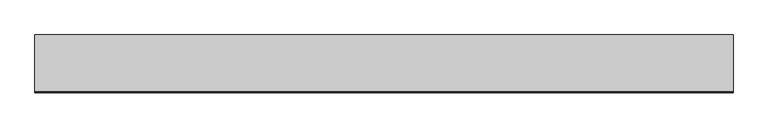
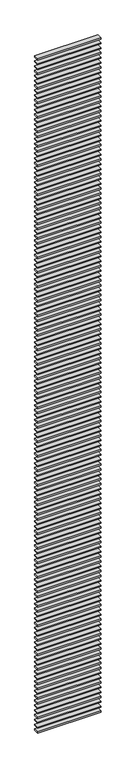
"""IFC4 building model written with IfcOpenShell, lengths in millimetres: proxy geometry."""

from ifc_helpers import new_model, si_unit, frame, origin, place, context, project, spatial, polyline, outline, extrude, source, transform, mapped, element, save


def generic_models_84017759(model_context):
    return source(origin(), model_context, "Body", "SweptSolid", [
        extrude(outline(polyline([(-100.0, -200.0), (-100.0, 0.0), (2375.0, 0.0), (2375.0, -200.0), (-100.0, -200.0)])), frame((0.0, 0.0, 27775.0), z_axis=(0.0, 0.0, 1.0), x_axis=(1.0, 0.0, 0.0)), (0.0, 0.0, 1.0), 50.0),
        extrude(outline(polyline([(-100.0, -200.0), (-100.0, 0.0), (2375.0, 0.0), (2375.0, -200.0), (-100.0, -200.0)])), frame((0.0, 0.0, 27575.0), z_axis=(0.0, 0.0, 1.0), x_axis=(1.0, 0.0, 0.0)), (0.0, 0.0, 1.0), 50.0),
        extrude(outline(polyline([(-100.0, -200.0), (-100.0, 0.0), (2375.0, 0.0), (2375.0, -200.0), (-100.0, -200.0)])), frame((0.0, 0.0, 27375.0), z_axis=(0.0, 0.0, 1.0), x_axis=(1.0, 0.0, 0.0)), (0.0, 0.0, 1.0), 50.0),
        extrude(outline(polyline([(-100.0, -200.0), (-100.0, 0.0), (2375.0, 0.0), (2375.0, -200.0), (-100.0, -200.0)])), frame((0.0, 0.0, 27175.0), z_axis=(0.0, 0.0, 1.0), x_axis=(1.0, 0.0, 0.0)), (0.0, 0.0, 1.0), 50.0),
        extrude(outline(polyline([(-100.0, -200.0), (-100.0, 0.0), (2375.0, 0.0), (2375.0, -200.0), (-100.0, -200.0)])), frame((0.0, 0.0, 26975.0), z_axis=(0.0, 0.0, 1.0), x_axis=(1.0, 0.0, 0.0)), (0.0, 0.0, 1.0), 50.0),
        extrude(outline(polyline([(-100.0, -200.0), (-100.0, 0.0), (2375.0, 0.0), (2375.0, -200.0), (-100.0, -200.0)])), frame((0.0, 0.0, 26775.0), z_axis=(0.0, 0.0, 1.0), x_axis=(1.0, 0.0, 0.0)), (0.0, 0.0, 1.0), 50.0),
        extrude(outline(polyline([(-100.0, -200.0), (-100.0, 0.0), (2375.0, 0.0), (2375.0, -200.0), (-100.0, -200.0)])), frame((0.0, 0.0, 26575.0), z_axis=(0.0, 0.0, 1.0), x_axis=(1.0, 0.0, 0.0)), (0.0, 0.0, 1.0), 50.0),
        extrude(outline(polyline([(-100.0, -200.0), (-100.0, 0.0), (2375.0, 0.0), (2375.0, -200.0), (-100.0, -200.0)])), frame((0.0, 0.0, 26375.0), z_axis=(0.0, 0.0, 1.0), x_axis=(1.0, 0.0, 0.0)), (0.0, 0.0, 1.0), 50.0),
        extrude(outline(polyline([(-100.0, -200.0), (-100.0, 0.0), (2375.0, 0.0), (2375.0, -200.0), (-100.0, -200.0)])), frame((0.0, 0.0, 26175.0), z_axis=(0.0, 0.0, 1.0), x_axis=(1.0, 0.0, 0.0)), (0.0, 0.0, 1.0), 50.0),
        extrude(outline(polyline([(-100.0, -200.0), (-100.0, 0.0), (2375.0, 0.0), (2375.0, -200.0), (-100.0, -200.0)])), frame((0.0, 0.0, 25975.0), z_axis=(0.0, 0.0, 1.0), x_axis=(1.0, 0.0, 0.0)), (0.0, 0.0, 1.0), 50.0),
        extrude(outline(polyline([(-100.0, -200.0), (-100.0, 0.0), (2375.0, 0.0), (2375.0, -200.0), (-100.0, -200.0)])), frame((0.0, 0.0, 25775.0), z_axis=(0.0, 0.0, 1.0), x_axis=(1.0, 0.0, 0.0)), (0.0, 0.0, 1.0), 50.0),
        extrude(outline(polyline([(-100.0, -200.0), (-100.0, 0.0), (2375.0, 0.0), (2375.0, -200.0), (-100.0, -200.0)])), frame((0.0, 0.0, 25575.0), z_axis=(0.0, 0.0, 1.0), x_axis=(1.0, 0.0, 0.0)), (0.0, 0.0, 1.0), 50.0),
        extrude(outline(polyline([(-100.0, -200.0), (-100.0, 0.0), (2375.0, 0.0), (2375.0, -200.0), (-100.0, -200.0)])), frame((0.0, 0.0, 25375.0), z_axis=(0.0, 0.0, 1.0), x_axis=(1.0, 0.0, 0.0)), (0.0, 0.0, 1.0), 50.0),
        extrude(outline(polyline([(-100.0, -200.0), (-100.0, 0.0), (2375.0, 0.0), (2375.0, -200.0), (-100.0, -200.0)])), frame((0.0, 0.0, 25175.0), z_axis=(0.0, 0.0, 1.0), x_axis=(1.0, 0.0, 0.0)), (0.0, 0.0, 1.0), 50.0),
        extrude(outline(polyline([(-100.0, -200.0), (-100.0, 0.0), (2375.0, 0.0), (2375.0, -200.0), (-100.0, -200.0)])), frame((0.0, 0.0, 24975.0), z_axis=(0.0, 0.0, 1.0), x_axis=(1.0, 0.0, 0.0)), (0.0, 0.0, 1.0), 50.0),
        extrude(outline(polyline([(-100.0, -200.0), (-100.0, 0.0), (2375.0, 0.0), (2375.0, -200.0), (-100.0, -200.0)])), frame((0.0, 0.0, 24775.0), z_axis=(0.0, 0.0, 1.0), x_axis=(1.0, 0.0, 0.0)), (0.0, 0.0, 1.0), 50.0),
        extrude(outline(polyline([(-100.0, -200.0), (-100.0, 0.0), (2375.0, 0.0), (2375.0, -200.0), (-100.0, -200.0)])), frame((0.0, 0.0, 24575.0), z_axis=(0.0, 0.0, 1.0), x_axis=(1.0, 0.0, 0.0)), (0.0, 0.0, 1.0), 50.0),
        extrude(outline(polyline([(-100.0, -200.0), (-100.0, 0.0), (2375.0, 0.0), (2375.0, -200.0), (-100.0, -200.0)])), frame((0.0, 0.0, 24375.0), z_axis=(0.0, 0.0, 1.0), x_axis=(1.0, 0.0, 0.0)), (0.0, 0.0, 1.0), 50.0),
        extrude(outline(polyline([(-100.0, -200.0), (-100.0, 0.0), (2375.0, 0.0), (2375.0, -200.0), (-100.0, -200.0)])), frame((0.0, 0.0, 24175.0), z_axis=(0.0, 0.0, 1.0), x_axis=(1.0, 0.0, 0.0)), (0.0, 0.0, 1.0), 50.0),
        extrude(outline(polyline([(-100.0, -200.0), (-100.0, 0.0), (2375.0, 0.0), (2375.0, -200.0), (-100.0, -200.0)])), frame((0.0, 0.0, 23975.0), z_axis=(0.0, 0.0, 1.0), x_axis=(1.0, 0.0, 0.0)), (0.0, 0.0, 1.0), 50.0),
        extrude(outline(polyline([(-100.0, -200.0), (-100.0, 0.0), (2375.0, 0.0), (2375.0, -200.0), (-100.0, -200.0)])), frame((0.0, 0.0, 23775.0), z_axis=(0.0, 0.0, 1.0), x_axis=(1.0, 0.0, 0.0)), (0.0, 0.0, 1.0), 50.0),
        extrude(outline(polyline([(-100.0, -200.0), (-100.0, 0.0), (2375.0, 0.0), (2375.0, -200.0), (-100.0, -200.0)])), frame((0.0, 0.0, 23575.0), z_axis=(0.0, 0.0, 1.0), x_axis=(1.0, 0.0, 0.0)), (0.0, 0.0, 1.0), 50.0),
        extrude(outline(polyline([(-100.0, -200.0), (-100.0, 0.0), (2375.0, 0.0), (2375.0, -200.0), (-100.0, -200.0)])), frame((0.0, 0.0, 23375.0), z_axis=(0.0, 0.0, 1.0), x_axis=(1.0, 0.0, 0.0)), (0.0, 0.0, 1.0), 50.0),
        extrude(outline(polyline([(-100.0, -200.0), (-100.0, 0.0), (2375.0, 0.0), (2375.0, -200.0), (-100.0, -200.0)])), frame((0.0, 0.0, 23175.0), z_axis=(0.0, 0.0, 1.0), x_axis=(1.0, 0.0, 0.0)), (0.0, 0.0, 1.0), 50.0),
        extrude(outline(polyline([(-100.0, -200.0), (-100.0, 0.0), (2375.0, 0.0), (2375.0, -200.0), (-100.0, -200.0)])), frame((0.0, 0.0, 22975.0), z_axis=(0.0, 0.0, 1.0), x_axis=(1.0, 0.0, 0.0)), (0.0, 0.0, 1.0), 50.0),
        extrude(outline(polyline([(-100.0, -200.0), (-100.0, 0.0), (2375.0, 0.0), (2375.0, -200.0), (-100.0, -200.0)])), frame((0.0, 0.0, 22775.0), z_axis=(0.0, 0.0, 1.0), x_axis=(1.0, 0.0, 0.0)), (0.0, 0.0, 1.0), 50.0),
        extrude(outline(polyline([(-100.0, -200.0), (-100.0, 0.0), (2375.0, 0.0), (2375.0, -200.0), (-100.0, -200.0)])), frame((0.0, 0.0, 22575.0), z_axis=(0.0, 0.0, 1.0), x_axis=(1.0, 0.0, 0.0)), (0.0, 0.0, 1.0), 50.0),
        extrude(outline(polyline([(-100.0, -200.0), (-100.0, 0.0), (2375.0, 0.0), (2375.0, -200.0), (-100.0, -200.0)])), frame((0.0, 0.0, 22375.0), z_axis=(0.0, 0.0, 1.0), x_axis=(1.0, 0.0, 0.0)), (0.0, 0.0, 1.0), 50.0),
        extrude(outline(polyline([(-100.0, -200.0), (-100.0, 0.0), (2375.0, 0.0), (2375.0, -200.0), (-100.0, -200.0)])), frame((0.0, 0.0, 22175.0), z_axis=(0.0, 0.0, 1.0), x_axis=(1.0, 0.0, 0.0)), (0.0, 0.0, 1.0), 50.0),
        extrude(outline(polyline([(-100.0, -200.0), (-100.0, 0.0), (2375.0, 0.0), (2375.0, -200.0), (-100.0, -200.0)])), frame((0.0, 0.0, 21975.0), z_axis=(0.0, 0.0, 1.0), x_axis=(1.0, 0.0, 0.0)), (0.0, 0.0, 1.0), 50.0),
        extrude(outline(polyline([(-100.0, -200.0), (-100.0, 0.0), (2375.0, 0.0), (2375.0, -200.0), (-100.0, -200.0)])), frame((0.0, 0.0, 21775.0), z_axis=(0.0, 0.0, 1.0), x_axis=(1.0, 0.0, 0.0)), (0.0, 0.0, 1.0), 50.0),
        extrude(outline(polyline([(-100.0, -200.0), (-100.0, 0.0), (2375.0, 0.0), (2375.0, -200.0), (-100.0, -200.0)])), frame((0.0, 0.0, 21575.0), z_axis=(0.0, 0.0, 1.0), x_axis=(1.0, 0.0, 0.0)), (0.0, 0.0, 1.0), 50.0),
        extrude(outline(polyline([(-100.0, -200.0), (-100.0, 0.0), (2375.0, 0.0), (2375.0, -200.0), (-100.0, -200.0)])), frame((0.0, 0.0, 21375.0), z_axis=(0.0, 0.0, 1.0), x_axis=(1.0, 0.0, 0.0)), (0.0, 0.0, 1.0), 50.0),
        extrude(outline(polyline([(-100.0, -200.0), (-100.0, 0.0), (2375.0, 0.0), (2375.0, -200.0), (-100.0, -200.0)])), frame((0.0, 0.0, 21175.0), z_axis=(0.0, 0.0, 1.0), x_axis=(1.0, 0.0, 0.0)), (0.0, 0.0, 1.0), 50.0),
        extrude(outline(polyline([(-100.0, -200.0), (-100.0, 0.0), (2375.0, 0.0), (2375.0, -200.0), (-100.0, -200.0)])), frame((0.0, 0.0, 20975.0), z_axis=(0.0, 0.0, 1.0), x_axis=(1.0, 0.0, 0.0)), (0.0, 0.0, 1.0), 50.0),
        extrude(outline(polyline([(-100.0, -200.0), (-100.0, 0.0), (2375.0, 0.0), (2375.0, -200.0), (-100.0, -200.0)])), frame((0.0, 0.0, 20775.0), z_axis=(0.0, 0.0, 1.0), x_axis=(1.0, 0.0, 0.0)), (0.0, 0.0, 1.0), 50.0),
        extrude(outline(polyline([(-100.0, -200.0), (-100.0, 0.0), (2375.0, 0.0), (2375.0, -200.0), (-100.0, -200.0)])), frame((0.0, 0.0, 20575.0), z_axis=(0.0, 0.0, 1.0), x_axis=(1.0, 0.0, 0.0)), (0.0, 0.0, 1.0), 50.0),
        extrude(outline(polyline([(-100.0, -200.0), (-100.0, 0.0), (2375.0, 0.0), (2375.0, -200.0), (-100.0, -200.0)])), frame((0.0, 0.0, 20375.0), z_axis=(0.0, 0.0, 1.0), x_axis=(1.0, 0.0, 0.0)), (0.0, 0.0, 1.0), 50.0),
        extrude(outline(polyline([(-100.0, -200.0), (-100.0, 0.0), (2375.0, 0.0), (2375.0, -200.0), (-100.0, -200.0)])), frame((0.0, 0.0, 20175.0), z_axis=(0.0, 0.0, 1.0), x_axis=(1.0, 0.0, 0.0)), (0.0, 0.0, 1.0), 50.0),
        extrude(outline(polyline([(-100.0, -200.0), (-100.0, 0.0), (2375.0, 0.0), (2375.0, -200.0), (-100.0, -200.0)])), frame((0.0, 0.0, 19975.0), z_axis=(0.0, 0.0, 1.0), x_axis=(1.0, 0.0, 0.0)), (0.0, 0.0, 1.0), 50.0),
        extrude(outline(polyline([(-100.0, -200.0), (-100.0, 0.0), (2375.0, 0.0), (2375.0, -200.0), (-100.0, -200.0)])), frame((0.0, 0.0, 19775.0), z_axis=(0.0, 0.0, 1.0), x_axis=(1.0, 0.0, 0.0)), (0.0, 0.0, 1.0), 50.0),
        extrude(outline(polyline([(-100.0, -200.0), (-100.0, 0.0), (2375.0, 0.0), (2375.0, -200.0), (-100.0, -200.0)])), frame((0.0, 0.0, 19575.0), z_axis=(0.0, 0.0, 1.0), x_axis=(1.0, 0.0, 0.0)), (0.0, 0.0, 1.0), 50.0),
        extrude(outline(polyline([(-100.0, -200.0), (-100.0, 0.0), (2375.0, 0.0), (2375.0, -200.0), (-100.0, -200.0)])), frame((0.0, 0.0, 19375.0), z_axis=(0.0, 0.0, 1.0), x_axis=(1.0, 0.0, 0.0)), (0.0, 0.0, 1.0), 50.0),
        extrude(outline(polyline([(-100.0, -200.0), (-100.0, 0.0), (2375.0, 0.0), (2375.0, -200.0), (-100.0, -200.0)])), frame((0.0, 0.0, 19175.0), z_axis=(0.0, 0.0, 1.0), x_axis=(1.0, 0.0, 0.0)), (0.0, 0.0, 1.0), 50.0),
        extrude(outline(polyline([(-100.0, -200.0), (-100.0, 0.0), (2375.0, 0.0), (2375.0, -200.0), (-100.0, -200.0)])), frame((0.0, 0.0, 18975.0), z_axis=(0.0, 0.0, 1.0), x_axis=(1.0, 0.0, 0.0)), (0.0, 0.0, 1.0), 50.0),
        extrude(outline(polyline([(-100.0, -200.0), (-100.0, 0.0), (2375.0, 0.0), (2375.0, -200.0), (-100.0, -200.0)])), frame((0.0, 0.0, 18775.0), z_axis=(0.0, 0.0, 1.0), x_axis=(1.0, 0.0, 0.0)), (0.0, 0.0, 1.0), 50.0),
        extrude(outline(polyline([(-100.0, -200.0), (-100.0, 0.0), (2375.0, 0.0), (2375.0, -200.0), (-100.0, -200.0)])), frame((0.0, 0.0, 18575.0), z_axis=(0.0, 0.0, 1.0), x_axis=(1.0, 0.0, 0.0)), (0.0, 0.0, 1.0), 50.0),
        extrude(outline(polyline([(-100.0, -200.0), (-100.0, 0.0), (2375.0, 0.0), (2375.0, -200.0), (-100.0, -200.0)])), frame((0.0, 0.0, 18375.0), z_axis=(0.0, 0.0, 1.0), x_axis=(1.0, 0.0, 0.0)), (0.0, 0.0, 1.0), 50.0),
        extrude(outline(polyline([(-100.0, -200.0), (-100.0, 0.0), (2375.0, 0.0), (2375.0, -200.0), (-100.0, -200.0)])), frame((0.0, 0.0, 18175.0), z_axis=(0.0, 0.0, 1.0), x_axis=(1.0, 0.0, 0.0)), (0.0, 0.0, 1.0), 50.0),
        extrude(outline(polyline([(-100.0, -200.0), (-100.0, 0.0), (2375.0, 0.0), (2375.0, -200.0), (-100.0, -200.0)])), frame((0.0, 0.0, 17975.0), z_axis=(0.0, 0.0, 1.0), x_axis=(1.0, 0.0, 0.0)), (0.0, 0.0, 1.0), 50.0),
        extrude(outline(polyline([(-100.0, -200.0), (-100.0, 0.0), (2375.0, 0.0), (2375.0, -200.0), (-100.0, -200.0)])), frame((0.0, 0.0, 17775.0), z_axis=(0.0, 0.0, 1.0), x_axis=(1.0, 0.0, 0.0)), (0.0, 0.0, 1.0), 50.0),
        extrude(outline(polyline([(-100.0, -200.0), (-100.0, 0.0), (2375.0, 0.0), (2375.0, -200.0), (-100.0, -200.0)])), frame((0.0, 0.0, 17575.0), z_axis=(0.0, 0.0, 1.0), x_axis=(1.0, 0.0, 0.0)), (0.0, 0.0, 1.0), 50.0),
        extrude(outline(polyline([(-100.0, -200.0), (-100.0, 0.0), (2375.0, 0.0), (2375.0, -200.0), (-100.0, -200.0)])), frame((0.0, 0.0, 17375.0), z_axis=(0.0, 0.0, 1.0), x_axis=(1.0, 0.0, 0.0)), (0.0, 0.0, 1.0), 50.0),
        extrude(outline(polyline([(-100.0, -200.0), (-100.0, 0.0), (2375.0, 0.0), (2375.0, -200.0), (-100.0, -200.0)])), frame((0.0, 0.0, 17175.0), z_axis=(0.0, 0.0, 1.0), x_axis=(1.0, 0.0, 0.0)), (0.0, 0.0, 1.0), 50.0),
        extrude(outline(polyline([(-100.0, -200.0), (-100.0, 0.0), (2375.0, 0.0), (2375.0, -200.0), (-100.0, -200.0)])), frame((0.0, 0.0, 16975.0), z_axis=(0.0, 0.0, 1.0), x_axis=(1.0, 0.0, 0.0)), (0.0, 0.0, 1.0), 50.0),
        extrude(outline(polyline([(-100.0, -200.0), (-100.0, 0.0), (2375.0, 0.0), (2375.0, -200.0), (-100.0, -200.0)])), frame((0.0, 0.0, 16775.0), z_axis=(0.0, 0.0, 1.0), x_axis=(1.0, 0.0, 0.0)), (0.0, 0.0, 1.0), 50.0),
        extrude(outline(polyline([(-100.0, -200.0), (-100.0, 0.0), (2375.0, 0.0), (2375.0, -200.0), (-100.0, -200.0)])), frame((0.0, 0.0, 16575.0), z_axis=(0.0, 0.0, 1.0), x_axis=(1.0, 0.0, 0.0)), (0.0, 0.0, 1.0), 50.0),
        extrude(outline(polyline([(-100.0, -200.0), (-100.0, 0.0), (2375.0, 0.0), (2375.0, -200.0), (-100.0, -200.0)])), frame((0.0, 0.0, 16375.0), z_axis=(0.0, 0.0, 1.0), x_axis=(1.0, 0.0, 0.0)), (0.0, 0.0, 1.0), 50.0),
        extrude(outline(polyline([(-100.0, -200.0), (-100.0, 0.0), (2375.0, 0.0), (2375.0, -200.0), (-100.0, -200.0)])), frame((0.0, 0.0, 16175.0), z_axis=(0.0, 0.0, 1.0), x_axis=(1.0, 0.0, 0.0)), (0.0, 0.0, 1.0), 50.0),
        extrude(outline(polyline([(-100.0, -200.0), (-100.0, 0.0), (2375.0, 0.0), (2375.0, -200.0), (-100.0, -200.0)])), frame((0.0, 0.0, 15975.0), z_axis=(0.0, 0.0, 1.0), x_axis=(1.0, 0.0, 0.0)), (0.0, 0.0, 1.0), 50.0),
        extrude(outline(polyline([(-100.0, -200.0), (-100.0, 0.0), (2375.0, 0.0), (2375.0, -200.0), (-100.0, -200.0)])), frame((0.0, 0.0, 15775.0), z_axis=(0.0, 0.0, 1.0), x_axis=(1.0, 0.0, 0.0)), (0.0, 0.0, 1.0), 50.0),
        extrude(outline(polyline([(-100.0, -200.0), (-100.0, 0.0), (2375.0, 0.0), (2375.0, -200.0), (-100.0, -200.0)])), frame((0.0, 0.0, 15575.0), z_axis=(0.0, 0.0, 1.0), x_axis=(1.0, 0.0, 0.0)), (0.0, 0.0, 1.0), 50.0),
        extrude(outline(polyline([(-100.0, -200.0), (-100.0, 0.0), (2375.0, 0.0), (2375.0, -200.0), (-100.0, -200.0)])), frame((0.0, 0.0, 15375.0), z_axis=(0.0, 0.0, 1.0), x_axis=(1.0, 0.0, 0.0)), (0.0, 0.0, 1.0), 50.0),
        extrude(outline(polyline([(-100.0, -200.0), (-100.0, 0.0), (2375.0, 0.0), (2375.0, -200.0), (-100.0, -200.0)])), frame((0.0, 0.0, 15175.0), z_axis=(0.0, 0.0, 1.0), x_axis=(1.0, 0.0, 0.0)), (0.0, 0.0, 1.0), 50.0),
        extrude(outline(polyline([(-100.0, -200.0), (-100.0, 0.0), (2375.0, 0.0), (2375.0, -200.0), (-100.0, -200.0)])), frame((0.0, 0.0, 14975.0), z_axis=(0.0, 0.0, 1.0), x_axis=(1.0, 0.0, 0.0)), (0.0, 0.0, 1.0), 50.0),
        extrude(outline(polyline([(-100.0, -200.0), (-100.0, 0.0), (2375.0, 0.0), (2375.0, -200.0), (-100.0, -200.0)])), frame((0.0, 0.0, 14775.0), z_axis=(0.0, 0.0, 1.0), x_axis=(1.0, 0.0, 0.0)), (0.0, 0.0, 1.0), 50.0),
        extrude(outline(polyline([(-100.0, -200.0), (-100.0, 0.0), (2375.0, 0.0), (2375.0, -200.0), (-100.0, -200.0)])), frame((0.0, 0.0, 14575.0), z_axis=(0.0, 0.0, 1.0), x_axis=(1.0, 0.0, 0.0)), (0.0, 0.0, 1.0), 50.0),
        extrude(outline(polyline([(-100.0, -200.0), (-100.0, 0.0), (2375.0, 0.0), (2375.0, -200.0), (-100.0, -200.0)])), frame((0.0, 0.0, 14375.0), z_axis=(0.0, 0.0, 1.0), x_axis=(1.0, 0.0, 0.0)), (0.0, 0.0, 1.0), 50.0),
        extrude(outline(polyline([(-100.0, -200.0), (-100.0, 0.0), (2375.0, 0.0), (2375.0, -200.0), (-100.0, -200.0)])), frame((0.0, 0.0, 14175.0), z_axis=(0.0, 0.0, 1.0), x_axis=(1.0, 0.0, 0.0)), (0.0, 0.0, 1.0), 50.0),
        extrude(outline(polyline([(-100.0, -200.0), (-100.0, 0.0), (2375.0, 0.0), (2375.0, -200.0), (-100.0, -200.0)])), frame((0.0, 0.0, 13975.0), z_axis=(0.0, 0.0, 1.0), x_axis=(1.0, 0.0, 0.0)), (0.0, 0.0, 1.0), 50.0),
        extrude(outline(polyline([(-100.0, -200.0), (-100.0, 0.0), (2375.0, 0.0), (2375.0, -200.0), (-100.0, -200.0)])), frame((0.0, 0.0, 13775.0), z_axis=(0.0, 0.0, 1.0), x_axis=(1.0, 0.0, 0.0)), (0.0, 0.0, 1.0), 50.0),
        extrude(outline(polyline([(-100.0, -200.0), (-100.0, 0.0), (2375.0, 0.0), (2375.0, -200.0), (-100.0, -200.0)])), frame((0.0, 0.0, 13575.0), z_axis=(0.0, 0.0, 1.0), x_axis=(1.0, 0.0, 0.0)), (0.0, 0.0, 1.0), 50.0),
        extrude(outline(polyline([(-100.0, -200.0), (-100.0, 0.0), (2375.0, 0.0), (2375.0, -200.0), (-100.0, -200.0)])), frame((0.0, 0.0, 13375.0), z_axis=(0.0, 0.0, 1.0), x_axis=(1.0, 0.0, 0.0)), (0.0, 0.0, 1.0), 50.0),
        extrude(outline(polyline([(-100.0, -200.0), (-100.0, 0.0), (2375.0, 0.0), (2375.0, -200.0), (-100.0, -200.0)])), frame((0.0, 0.0, 13175.0), z_axis=(0.0, 0.0, 1.0), x_axis=(1.0, 0.0, 0.0)), (0.0, 0.0, 1.0), 50.0),
        extrude(outline(polyline([(-100.0, -200.0), (-100.0, 0.0), (2375.0, 0.0), (2375.0, -200.0), (-100.0, -200.0)])), frame((0.0, 0.0, 12975.0), z_axis=(0.0, 0.0, 1.0), x_axis=(1.0, 0.0, 0.0)), (0.0, 0.0, 1.0), 50.0),
        extrude(outline(polyline([(-100.0, -200.0), (-100.0, 0.0), (2375.0, 0.0), (2375.0, -200.0), (-100.0, -200.0)])), frame((0.0, 0.0, 12775.0), z_axis=(0.0, 0.0, 1.0), x_axis=(1.0, 0.0, 0.0)), (0.0, 0.0, 1.0), 50.0),
        extrude(outline(polyline([(-100.0, -200.0), (-100.0, 0.0), (2375.0, 0.0), (2375.0, -200.0), (-100.0, -200.0)])), frame((0.0, 0.0, 12575.0), z_axis=(0.0, 0.0, 1.0), x_axis=(1.0, 0.0, 0.0)), (0.0, 0.0, 1.0), 50.0),
        extrude(outline(polyline([(-100.0, -200.0), (-100.0, 0.0), (2375.0, 0.0), (2375.0, -200.0), (-100.0, -200.0)])), frame((0.0, 0.0, 12375.0), z_axis=(0.0, 0.0, 1.0), x_axis=(1.0, 0.0, 0.0)), (0.0, 0.0, 1.0), 50.0),
        extrude(outline(polyline([(-100.0, -200.0), (-100.0, 0.0), (2375.0, 0.0), (2375.0, -200.0), (-100.0, -200.0)])), frame((0.0, 0.0, 12175.0), z_axis=(0.0, 0.0, 1.0), x_axis=(1.0, 0.0, 0.0)), (0.0, 0.0, 1.0), 50.0),
        extrude(outline(polyline([(-100.0, -200.0), (-100.0, 0.0), (2375.0, 0.0), (2375.0, -200.0), (-100.0, -200.0)])), frame((0.0, 0.0, 11975.0), z_axis=(0.0, 0.0, 1.0), x_axis=(1.0, 0.0, 0.0)), (0.0, 0.0, 1.0), 50.0),
        extrude(outline(polyline([(-100.0, -200.0), (-100.0, 0.0), (2375.0, 0.0), (2375.0, -200.0), (-100.0, -200.0)])), frame((0.0, 0.0, 11775.0), z_axis=(0.0, 0.0, 1.0), x_axis=(1.0, 0.0, 0.0)), (0.0, 0.0, 1.0), 50.0),
        extrude(outline(polyline([(-100.0, -200.0), (-100.0, 0.0), (2375.0, 0.0), (2375.0, -200.0), (-100.0, -200.0)])), frame((0.0, 0.0, 11575.0), z_axis=(0.0, 0.0, 1.0), x_axis=(1.0, 0.0, 0.0)), (0.0, 0.0, 1.0), 50.0),
        extrude(outline(polyline([(-100.0, -200.0), (-100.0, 0.0), (2375.0, 0.0), (2375.0, -200.0), (-100.0, -200.0)])), frame((0.0, 0.0, 11375.0), z_axis=(0.0, 0.0, 1.0), x_axis=(1.0, 0.0, 0.0)), (0.0, 0.0, 1.0), 50.0),
        extrude(outline(polyline([(-100.0, -200.0), (-100.0, 0.0), (2375.0, 0.0), (2375.0, -200.0), (-100.0, -200.0)])), frame((0.0, 0.0, 11175.0), z_axis=(0.0, 0.0, 1.0), x_axis=(1.0, 0.0, 0.0)), (0.0, 0.0, 1.0), 50.0),
        extrude(outline(polyline([(-100.0, -200.0), (-100.0, 0.0), (2375.0, 0.0), (2375.0, -200.0), (-100.0, -200.0)])), frame((0.0, 0.0, 10975.0), z_axis=(0.0, 0.0, 1.0), x_axis=(1.0, 0.0, 0.0)), (0.0, 0.0, 1.0), 50.0),
        extrude(outline(polyline([(-100.0, -200.0), (-100.0, 0.0), (2375.0, 0.0), (2375.0, -200.0), (-100.0, -200.0)])), frame((0.0, 0.0, 10775.0), z_axis=(0.0, 0.0, 1.0), x_axis=(1.0, 0.0, 0.0)), (0.0, 0.0, 1.0), 50.0),
        extrude(outline(polyline([(-100.0, -200.0), (-100.0, 0.0), (2375.0, 0.0), (2375.0, -200.0), (-100.0, -200.0)])), frame((0.0, 0.0, 10575.0), z_axis=(0.0, 0.0, 1.0), x_axis=(1.0, 0.0, 0.0)), (0.0, 0.0, 1.0), 50.0),
        extrude(outline(polyline([(-100.0, -200.0), (-100.0, 0.0), (2375.0, 0.0), (2375.0, -200.0), (-100.0, -200.0)])), frame((0.0, 0.0, 10375.0), z_axis=(0.0, 0.0, 1.0), x_axis=(1.0, 0.0, 0.0)), (0.0, 0.0, 1.0), 50.0),
        extrude(outline(polyline([(-100.0, -200.0), (-100.0, 0.0), (2375.0, 0.0), (2375.0, -200.0), (-100.0, -200.0)])), frame((0.0, 0.0, 10175.0), z_axis=(0.0, 0.0, 1.0), x_axis=(1.0, 0.0, 0.0)), (0.0, 0.0, 1.0), 50.0),
        extrude(outline(polyline([(-100.0, -200.0), (-100.0, 0.0), (2375.0, 0.0), (2375.0, -200.0), (-100.0, -200.0)])), frame((0.0, 0.0, 9975.0), z_axis=(0.0, 0.0, 1.0), x_axis=(1.0, 0.0, 0.0)), (0.0, 0.0, 1.0), 50.0),
        extrude(outline(polyline([(-100.0, -200.0), (-100.0, 0.0), (2375.0, 0.0), (2375.0, -200.0), (-100.0, -200.0)])), frame((0.0, 0.0, 9775.0), z_axis=(0.0, 0.0, 1.0), x_axis=(1.0, 0.0, 0.0)), (0.0, 0.0, 1.0), 50.0),
        extrude(outline(polyline([(-100.0, -200.0), (-100.0, 0.0), (2375.0, 0.0), (2375.0, -200.0), (-100.0, -200.0)])), frame((0.0, 0.0, 9575.0), z_axis=(0.0, 0.0, 1.0), x_axis=(1.0, 0.0, 0.0)), (0.0, 0.0, 1.0), 50.0),
        extrude(outline(polyline([(-100.0, -200.0), (-100.0, 0.0), (2375.0, 0.0), (2375.0, -200.0), (-100.0, -200.0)])), frame((0.0, 0.0, 9375.0), z_axis=(0.0, 0.0, 1.0), x_axis=(1.0, 0.0, 0.0)), (0.0, 0.0, 1.0), 50.0),
        extrude(outline(polyline([(-100.0, -200.0), (-100.0, 0.0), (2375.0, 0.0), (2375.0, -200.0), (-100.0, -200.0)])), frame((0.0, 0.0, 9175.0), z_axis=(0.0, 0.0, 1.0), x_axis=(1.0, 0.0, 0.0)), (0.0, 0.0, 1.0), 50.0),
        extrude(outline(polyline([(-100.0, -200.0), (-100.0, 0.0), (2375.0, 0.0), (2375.0, -200.0), (-100.0, -200.0)])), frame((0.0, 0.0, 8975.0), z_axis=(0.0, 0.0, 1.0), x_axis=(1.0, 0.0, 0.0)), (0.0, 0.0, 1.0), 50.0),
        extrude(outline(polyline([(-100.0, -200.0), (-100.0, 0.0), (2375.0, 0.0), (2375.0, -200.0), (-100.0, -200.0)])), frame((0.0, 0.0, 8775.0), z_axis=(0.0, 0.0, 1.0), x_axis=(1.0, 0.0, 0.0)), (0.0, 0.0, 1.0), 50.0),
        extrude(outline(polyline([(-100.0, -200.0), (-100.0, 0.0), (2375.0, 0.0), (2375.0, -200.0), (-100.0, -200.0)])), frame((0.0, 0.0, 8575.0), z_axis=(0.0, 0.0, 1.0), x_axis=(1.0, 0.0, 0.0)), (0.0, 0.0, 1.0), 50.0),
        extrude(outline(polyline([(-100.0, -200.0), (-100.0, 0.0), (2375.0, 0.0), (2375.0, -200.0), (-100.0, -200.0)])), frame((0.0, 0.0, 8375.0), z_axis=(0.0, 0.0, 1.0), x_axis=(1.0, 0.0, 0.0)), (0.0, 0.0, 1.0), 50.0),
        extrude(outline(polyline([(-100.0, -200.0), (-100.0, 0.0), (2375.0, 0.0), (2375.0, -200.0), (-100.0, -200.0)])), frame((0.0, 0.0, 8175.0), z_axis=(0.0, 0.0, 1.0), x_axis=(1.0, 0.0, 0.0)), (0.0, 0.0, 1.0), 50.0),
        extrude(outline(polyline([(-100.0, -200.0), (-100.0, 0.0), (2375.0, 0.0), (2375.0, -200.0), (-100.0, -200.0)])), frame((0.0, 0.0, 7975.0), z_axis=(0.0, 0.0, 1.0), x_axis=(1.0, 0.0, 0.0)), (0.0, 0.0, 1.0), 50.0),
        extrude(outline(polyline([(-100.0, -200.0), (-100.0, 0.0), (2375.0, 0.0), (2375.0, -200.0), (-100.0, -200.0)])), frame((0.0, 0.0, 7775.0), z_axis=(0.0, 0.0, 1.0), x_axis=(1.0, 0.0, 0.0)), (0.0, 0.0, 1.0), 50.0),
        extrude(outline(polyline([(-100.0, -200.0), (-100.0, 0.0), (2375.0, 0.0), (2375.0, -200.0), (-100.0, -200.0)])), frame((0.0, 0.0, 7575.0), z_axis=(0.0, 0.0, 1.0), x_axis=(1.0, 0.0, 0.0)), (0.0, 0.0, 1.0), 50.0),
        extrude(outline(polyline([(-100.0, -200.0), (-100.0, 0.0), (2375.0, 0.0), (2375.0, -200.0), (-100.0, -200.0)])), frame((0.0, 0.0, 7375.0), z_axis=(0.0, 0.0, 1.0), x_axis=(1.0, 0.0, 0.0)), (0.0, 0.0, 1.0), 50.0),
        extrude(outline(polyline([(-100.0, -200.0), (-100.0, 0.0), (2375.0, 0.0), (2375.0, -200.0), (-100.0, -200.0)])), frame((0.0, 0.0, 7175.0), z_axis=(0.0, 0.0, 1.0), x_axis=(1.0, 0.0, 0.0)), (0.0, 0.0, 1.0), 50.0),
        extrude(outline(polyline([(-100.0, -200.0), (-100.0, 0.0), (2375.0, 0.0), (2375.0, -200.0), (-100.0, -200.0)])), frame((0.0, 0.0, 6975.0), z_axis=(0.0, 0.0, 1.0), x_axis=(1.0, 0.0, 0.0)), (0.0, 0.0, 1.0), 50.0),
        extrude(outline(polyline([(-100.0, -200.0), (-100.0, 0.0), (2375.0, 0.0), (2375.0, -200.0), (-100.0, -200.0)])), frame((0.0, 0.0, 6775.0), z_axis=(0.0, 0.0, 1.0), x_axis=(1.0, 0.0, 0.0)), (0.0, 0.0, 1.0), 50.0),
        extrude(outline(polyline([(-100.0, -200.0), (-100.0, 0.0), (2375.0, 0.0), (2375.0, -200.0), (-100.0, -200.0)])), frame((0.0, 0.0, 6575.0), z_axis=(0.0, 0.0, 1.0), x_axis=(1.0, 0.0, 0.0)), (0.0, 0.0, 1.0), 50.0),
        extrude(outline(polyline([(-100.0, -200.0), (-100.0, 0.0), (2375.0, 0.0), (2375.0, -200.0), (-100.0, -200.0)])), frame((0.0, 0.0, 6375.0), z_axis=(0.0, 0.0, 1.0), x_axis=(1.0, 0.0, 0.0)), (0.0, 0.0, 1.0), 50.0),
        extrude(outline(polyline([(-100.0, -200.0), (-100.0, 0.0), (2375.0, 0.0), (2375.0, -200.0), (-100.0, -200.0)])), frame((0.0, 0.0, 6175.0), z_axis=(0.0, 0.0, 1.0), x_axis=(1.0, 0.0, 0.0)), (0.0, 0.0, 1.0), 50.0),
        extrude(outline(polyline([(-100.0, -200.0), (-100.0, 0.0), (2375.0, 0.0), (2375.0, -200.0), (-100.0, -200.0)])), frame((0.0, 0.0, 5975.0), z_axis=(0.0, 0.0, 1.0), x_axis=(1.0, 0.0, 0.0)), (0.0, 0.0, 1.0), 50.0),
        extrude(outline(polyline([(-100.0, -200.0), (-100.0, 0.0), (2375.0, 0.0), (2375.0, -200.0), (-100.0, -200.0)])), frame((0.0, 0.0, 5775.0), z_axis=(0.0, 0.0, 1.0), x_axis=(1.0, 0.0, 0.0)), (0.0, 0.0, 1.0), 50.0),
        extrude(outline(polyline([(-100.0, -200.0), (-100.0, 0.0), (2375.0, 0.0), (2375.0, -200.0), (-100.0, -200.0)])), frame((0.0, 0.0, 5575.0), z_axis=(0.0, 0.0, 1.0), x_axis=(1.0, 0.0, 0.0)), (0.0, 0.0, 1.0), 50.0),
        extrude(outline(polyline([(-100.0, -200.0), (-100.0, 0.0), (2375.0, 0.0), (2375.0, -200.0), (-100.0, -200.0)])), frame((0.0, 0.0, 5375.0), z_axis=(0.0, 0.0, 1.0), x_axis=(1.0, 0.0, 0.0)), (0.0, 0.0, 1.0), 50.0),
        extrude(outline(polyline([(-100.0, -200.0), (-100.0, 0.0), (2375.0, 0.0), (2375.0, -200.0), (-100.0, -200.0)])), frame((0.0, 0.0, 5175.0), z_axis=(0.0, 0.0, 1.0), x_axis=(1.0, 0.0, 0.0)), (0.0, 0.0, 1.0), 50.0),
        extrude(outline(polyline([(-100.0, -200.0), (-100.0, 0.0), (2375.0, 0.0), (2375.0, -200.0), (-100.0, -200.0)])), frame((0.0, 0.0, 4975.0), z_axis=(0.0, 0.0, 1.0), x_axis=(1.0, 0.0, 0.0)), (0.0, 0.0, 1.0), 50.0),
        extrude(outline(polyline([(-100.0, -200.0), (-100.0, 0.0), (2375.0, 0.0), (2375.0, -200.0), (-100.0, -200.0)])), frame((0.0, 0.0, 4775.0), z_axis=(0.0, 0.0, 1.0), x_axis=(1.0, 0.0, 0.0)), (0.0, 0.0, 1.0), 50.0),
        extrude(outline(polyline([(-100.0, -200.0), (-100.0, 0.0), (2375.0, 0.0), (2375.0, -200.0), (-100.0, -200.0)])), frame((0.0, 0.0, 4575.0), z_axis=(0.0, 0.0, 1.0), x_axis=(1.0, 0.0, 0.0)), (0.0, 0.0, 1.0), 50.0),
        extrude(outline(polyline([(-100.0, -200.0), (-100.0, 0.0), (2375.0, 0.0), (2375.0, -200.0), (-100.0, -200.0)])), frame((0.0, 0.0, 4375.0), z_axis=(0.0, 0.0, 1.0), x_axis=(1.0, 0.0, 0.0)), (0.0, 0.0, 1.0), 50.0),
        extrude(outline(polyline([(-100.0, -200.0), (-100.0, 0.0), (2375.0, 0.0), (2375.0, -200.0), (-100.0, -200.0)])), frame((0.0, 0.0, 4175.0), z_axis=(0.0, 0.0, 1.0), x_axis=(1.0, 0.0, 0.0)), (0.0, 0.0, 1.0), 50.0),
        extrude(outline(polyline([(-100.0, -200.0), (-100.0, 0.0), (2375.0, 0.0), (2375.0, -200.0), (-100.0, -200.0)])), frame((0.0, 0.0, 3975.0), z_axis=(0.0, 0.0, 1.0), x_axis=(1.0, 0.0, 0.0)), (0.0, 0.0, 1.0), 50.0),
        extrude(outline(polyline([(-100.0, -200.0), (-100.0, 0.0), (2375.0, 0.0), (2375.0, -200.0), (-100.0, -200.0)])), frame((0.0, 0.0, 3775.0), z_axis=(0.0, 0.0, 1.0), x_axis=(1.0, 0.0, 0.0)), (0.0, 0.0, 1.0), 50.0),
        extrude(outline(polyline([(-100.0, -200.0), (-100.0, 0.0), (2375.0, 0.0), (2375.0, -200.0), (-100.0, -200.0)])), frame((0.0, 0.0, 3575.0), z_axis=(0.0, 0.0, 1.0), x_axis=(1.0, 0.0, 0.0)), (0.0, 0.0, 1.0), 50.0),
        extrude(outline(polyline([(-100.0, -200.0), (-100.0, 0.0), (2375.0, 0.0), (2375.0, -200.0), (-100.0, -200.0)])), frame((0.0, 0.0, 3375.0), z_axis=(0.0, 0.0, 1.0), x_axis=(1.0, 0.0, 0.0)), (0.0, 0.0, 1.0), 50.0),
        extrude(outline(polyline([(-100.0, -200.0), (-100.0, 0.0), (2375.0, 0.0), (2375.0, -200.0), (-100.0, -200.0)])), frame((0.0, 0.0, 3175.0), z_axis=(0.0, 0.0, 1.0), x_axis=(1.0, 0.0, 0.0)), (0.0, 0.0, 1.0), 50.0),
        extrude(outline(polyline([(-100.0, -200.0), (-100.0, 0.0), (2375.0, 0.0), (2375.0, -200.0), (-100.0, -200.0)])), frame((0.0, 0.0, 2975.0), z_axis=(0.0, 0.0, 1.0), x_axis=(1.0, 0.0, 0.0)), (0.0, 0.0, 1.0), 50.0),
        extrude(outline(polyline([(-100.0, -200.0), (-100.0, 0.0), (2375.0, 0.0), (2375.0, -200.0), (-100.0, -200.0)])), frame((0.0, 0.0, 2775.0), z_axis=(0.0, 0.0, 1.0), x_axis=(1.0, 0.0, 0.0)), (0.0, 0.0, 1.0), 50.0),
        extrude(outline(polyline([(-100.0, -200.0), (-100.0, 0.0), (2375.0, 0.0), (2375.0, -200.0), (-100.0, -200.0)])), frame((0.0, 0.0, 2575.0), z_axis=(0.0, 0.0, 1.0), x_axis=(1.0, 0.0, 0.0)), (0.0, 0.0, 1.0), 50.0),
        extrude(outline(polyline([(-100.0, -200.0), (-100.0, 0.0), (2375.0, 0.0), (2375.0, -200.0), (-100.0, -200.0)])), frame((0.0, 0.0, 2375.0), z_axis=(0.0, 0.0, 1.0), x_axis=(1.0, 0.0, 0.0)), (0.0, 0.0, 1.0), 50.0),
        extrude(outline(polyline([(-100.0, -200.0), (-100.0, 0.0), (2375.0, 0.0), (2375.0, -200.0), (-100.0, -200.0)])), frame((0.0, 0.0, 2175.0), z_axis=(0.0, 0.0, 1.0), x_axis=(1.0, 0.0, 0.0)), (0.0, 0.0, 1.0), 50.0),
        extrude(outline(polyline([(-100.0, -200.0), (-100.0, 0.0), (2375.0, 0.0), (2375.0, -200.0), (-100.0, -200.0)])), frame((0.0, 0.0, 1975.0), z_axis=(0.0, 0.0, 1.0), x_axis=(1.0, 0.0, 0.0)), (0.0, 0.0, 1.0), 50.0),
        extrude(outline(polyline([(-100.0, -200.0), (-100.0, 0.0), (2375.0, 0.0), (2375.0, -200.0), (-100.0, -200.0)])), frame((0.0, 0.0, 1775.0), z_axis=(0.0, 0.0, 1.0), x_axis=(1.0, 0.0, 0.0)), (0.0, 0.0, 1.0), 50.0),
        extrude(outline(polyline([(-100.0, -200.0), (-100.0, 0.0), (2375.0, 0.0), (2375.0, -200.0), (-100.0, -200.0)])), frame((0.0, 0.0, 1575.0), z_axis=(0.0, 0.0, 1.0), x_axis=(1.0, 0.0, 0.0)), (0.0, 0.0, 1.0), 50.0),
        extrude(outline(polyline([(-100.0, -200.0), (-100.0, 0.0), (2375.0, 0.0), (2375.0, -200.0), (-100.0, -200.0)])), frame((0.0, 0.0, 1375.0), z_axis=(0.0, 0.0, 1.0), x_axis=(1.0, 0.0, 0.0)), (0.0, 0.0, 1.0), 50.0),
        extrude(outline(polyline([(-100.0, -200.0), (-100.0, 0.0), (2375.0, 0.0), (2375.0, -200.0), (-100.0, -200.0)])), frame((0.0, 0.0, 1175.0), z_axis=(0.0, 0.0, 1.0), x_axis=(1.0, 0.0, 0.0)), (0.0, 0.0, 1.0), 50.0),
        extrude(outline(polyline([(-100.0, -200.0), (-100.0, 0.0), (2375.0, 0.0), (2375.0, -200.0), (-100.0, -200.0)])), frame((0.0, 0.0, 975.0), z_axis=(0.0, 0.0, 1.0), x_axis=(1.0, 0.0, 0.0)), (0.0, 0.0, 1.0), 50.0),
        extrude(outline(polyline([(-100.0, -200.0), (-100.0, 0.0), (2375.0, 0.0), (2375.0, -200.0), (-100.0, -200.0)])), frame((0.0, 0.0, 775.0), z_axis=(0.0, 0.0, 1.0), x_axis=(1.0, 0.0, 0.0)), (0.0, 0.0, 1.0), 50.0),
        extrude(outline(polyline([(-100.0, -200.0), (-100.0, 0.0), (2375.0, 0.0), (2375.0, -200.0), (-100.0, -200.0)])), frame((0.0, 0.0, 575.0), z_axis=(0.0, 0.0, 1.0), x_axis=(1.0, 0.0, 0.0)), (0.0, 0.0, 1.0), 50.0),
        extrude(outline(polyline([(-100.0, -200.0), (-100.0, 0.0), (2375.0, 0.0), (2375.0, -200.0), (-100.0, -200.0)])), frame((0.0, 0.0, 375.0), z_axis=(0.0, 0.0, 1.0), x_axis=(1.0, 0.0, 0.0)), (0.0, 0.0, 1.0), 50.0),
        extrude(outline(polyline([(-100.0, -200.0), (-100.0, 0.0), (2375.0, 0.0), (2375.0, -200.0), (-100.0, -200.0)])), frame((0.0, 0.0, 175.0), z_axis=(0.0, 0.0, 1.0), x_axis=(1.0, 0.0, 0.0)), (0.0, 0.0, 1.0), 50.0),
        extrude(outline(polyline([(-100.0, -200.0), (-100.0, 0.0), (2375.0, 0.0), (2375.0, -200.0), (-100.0, -200.0)])), frame((0.0, 0.0, -25.0), z_axis=(0.0, 0.0, 1.0), x_axis=(1.0, 0.0, 0.0)), (0.0, 0.0, 1.0), 50.0),
    ])


if __name__ == "__main__":
    model = new_model("IFC4")
    model_context = context("Model", 3, world=origin())
    ifc_project = project(units=[si_unit("LENGTHUNIT", "METRE", prefix="MILLI")], contexts=[model_context])
    site = spatial("IfcSite", under=ifc_project)
    building = spatial("IfcBuilding", under=site)
    placement = place(None, origin())
    generic_models_shape = generic_models_84017759(model_context)
    element("IfcBuildingElementProxy", 1, Name="Generic Models", at=placement, inside=building, context=model_context, shape_type="MappedRepresentation", body=[
        mapped(generic_models_shape, transform((0.0, 0.0, 0.0), x_axis=(1.0, 0.0, 0.0), y_axis=(0.0, 1.0, 0.0), z_axis=(0.0, 0.0, 1.0))),
    ])
    save(model, "model.ifc")
